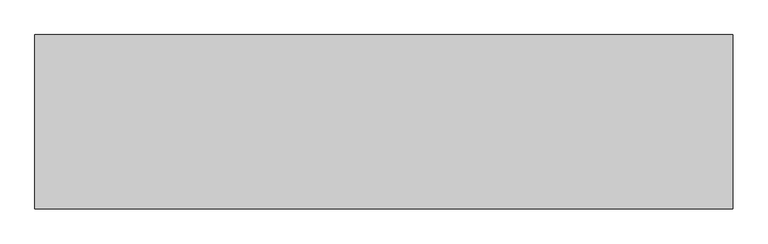
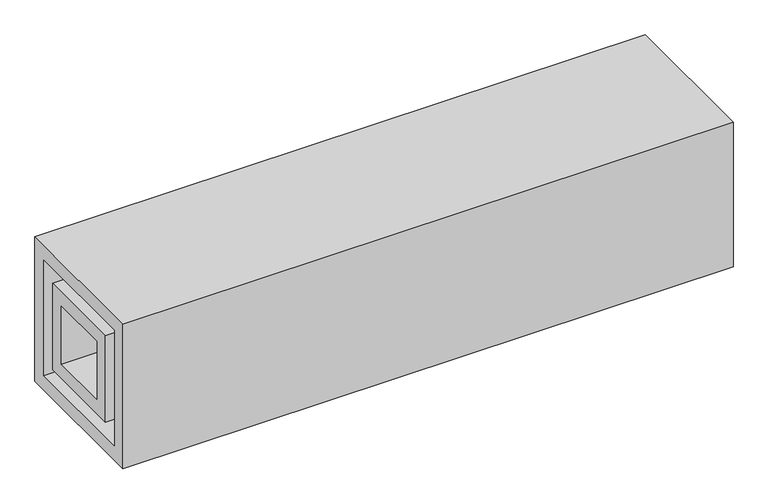
"""IFC4 building model written with IfcOpenShell, lengths in millimetres: proxy geometry."""

from ifc_helpers import new_model, si_unit, frame, origin, place, context, project, spatial, polyline, outline, extrude, source, transform, mapped, element, save


def generic_models_0b540740(model_context):
    return source(origin(), model_context, "Body", "SweptSolid", [
        extrude(outline(polyline([(-150.0, 150.0), (150.0, 150.0), (150.0, -150.0), (-150.0, -150.0), (-150.0, 150.0)]), holes=[polyline([(-100.0, 100.0), (-100.0, -100.0), (100.0, -100.0), (100.0, 100.0), (-100.0, 100.0)])]), frame((-1000.0, 0.0, 0.0), z_axis=(1.0, 0.0, 0.0), x_axis=(0.0, 1.0, 0.0)), (0.0, 0.0, 1.0), 2000.0),
        extrude(outline(polyline([(-250.0, 250.0), (250.0, 250.0), (250.0, -250.0), (-250.0, -250.0), (-250.0, 250.0)]), holes=[polyline([(200.0, -200.0), (200.0, 200.0), (-200.0, 200.0), (-200.0, -200.0), (200.0, -200.0)])]), frame((-1000.0, 0.0, 0.0), z_axis=(1.0, 0.0, 0.0), x_axis=(0.0, 1.0, 0.0)), (0.0, 0.0, 1.0), 2000.0),
    ])


if __name__ == "__main__":
    model = new_model("IFC4")
    model_context = context("Model", 3, world=origin())
    ifc_project = project(units=[si_unit("LENGTHUNIT", "METRE", prefix="MILLI")], contexts=[model_context])
    site = spatial("IfcSite", under=ifc_project)
    building = spatial("IfcBuilding", under=site)
    placement = place(None, origin())
    generic_models_shape = generic_models_0b540740(model_context)
    element("IfcBuildingElementProxy", 1, Name="Generic Models", at=placement, inside=building, context=model_context, shape_type="MappedRepresentation", body=[
        mapped(generic_models_shape, transform((0.0, 0.0, 0.0), x_axis=(1.0, 0.0, 0.0), y_axis=(0.0, 1.0, 0.0), z_axis=(0.0, 0.0, 1.0))),
    ])
    save(model, "model.ifc")
